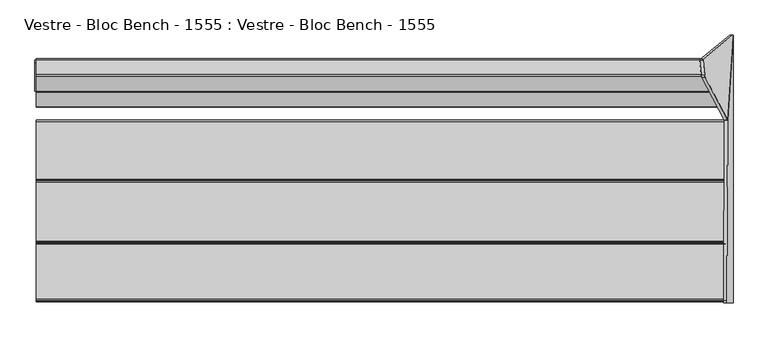
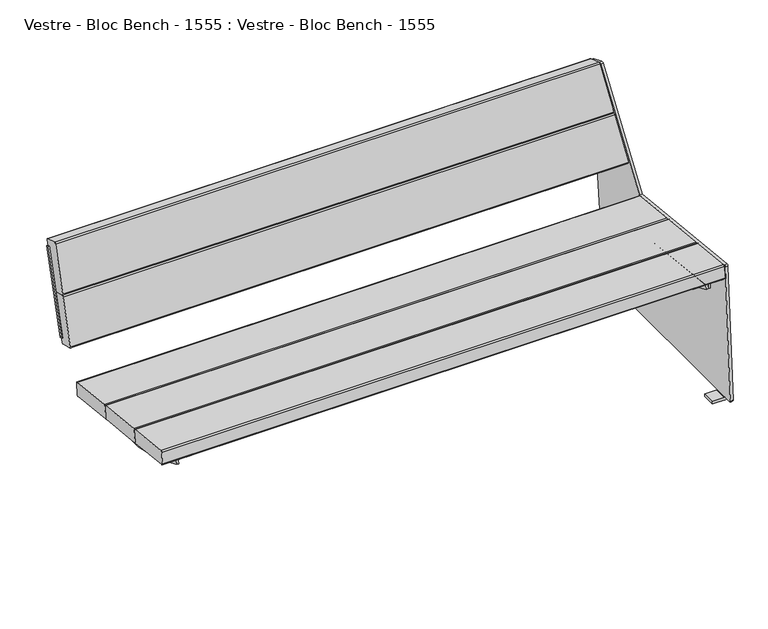
"""IFC4 building model written with IfcOpenShell, lengths in millimetres: furniture geometry, Vestre - Bloc Bench - 1555 : Vestre - Bloc Bench - 1555."""

import ifcopenshell
import ifcopenshell.guid

model = None  # the IFC model being written
_history = None  # IfcOwnerHistory: only IFC2X3 demands one
_inside = {}  # id of a spatial element -> (the spatial element, [elements in it])
_under = {}  # id of a project, library or spatial element -> (it, [spatial elements below it])
_declared = {}  # id of a project -> (the project, [libraries it declares])
_typed = {}  # id of a type object -> (the type object, [elements of that type])
_made_of = {}  # id of a material, layer set ... -> (it, [elements and type objects made of it])


def new_model(schema):
    """Start an empty IFC model of exactly this schema.

    Asked for "IFC4X3", IfcOpenShell would pick the latest addendum, in which some entities
    have other attributes; the version numbers below select the first issue.
    IFC2X3 requires an IfcOwnerHistory on every rooted entity: one is made here for all.
    """
    global model, _history
    if schema == "IFC4X3":
        model = ifcopenshell.file(schema_version=(4, 3, 0, 0))
    else:
        model = ifcopenshell.file(schema=schema)
    _inside.clear()
    _under.clear()
    _declared.clear()
    _typed.clear()
    _made_of.clear()
    _history = None
    if model.schema == "IFC2X3":
        org = make("IfcOrganization", Name="unknown")
        user = make(
            "IfcPersonAndOrganization",
            ThePerson=make("IfcPerson", FamilyName="unknown"),
            TheOrganization=org,
        )
        app = make(
            "IfcApplication",
            ApplicationDeveloper=org,
            Version="unknown",
            ApplicationFullName="unknown",
            ApplicationIdentifier="unknown",
        )
        _history = make(
            "IfcOwnerHistory",
            OwningUser=user,
            OwningApplication=app,
            ChangeAction="ADDED",
            CreationDate=0,
        )
    return model


def make(cls, **values):
    """One entity of the class cls with the attributes given. An attribute that is None is left unset."""
    return model.create_entity(
        cls, **{name: value for name, value in values.items() if value is not None}
    )


def rooted(cls, **values):
    """An entity with a GlobalId (a new one), such as an element, a storey or a relation."""
    return make(cls, GlobalId=ifcopenshell.guid.new(), OwnerHistory=_history, **values)


def si_unit(unit_type, name, prefix=None):
    """IfcSIUnit, for example si_unit("LENGTHUNIT", "METRE", prefix="MILLI")."""
    return make("IfcSIUnit", UnitType=unit_type, Prefix=prefix, Name=name)


def assignment(units):
    """IfcUnitAssignment: the units of a project."""
    return None if units is None else make("IfcUnitAssignment", Units=units)


def point(xyz):
    """IfcCartesianPoint."""
    return None if xyz is None else make("IfcCartesianPoint", Coordinates=xyz)


def direction(xyz):
    """IfcDirection."""
    return None if xyz is None else make("IfcDirection", DirectionRatios=xyz)


def frame(location, z_axis=None, x_axis=None):
    """IfcAxis2Placement3D, a coordinate frame: its origin and axes. An axis left out is left unset."""
    return make(
        "IfcAxis2Placement3D",
        Location=point(location),
        Axis=direction(z_axis),
        RefDirection=direction(x_axis),
    )


def frame_2d(location, x_axis=None):
    """IfcAxis2Placement2D, a coordinate frame in the plane: its origin and x axis."""
    return make(
        "IfcAxis2Placement2D", Location=point(location), RefDirection=direction(x_axis)
    )


def origin():
    """The frame at (0, 0, 0) with its axes left unset."""
    return frame((0.0, 0.0, 0.0))


def place(relative_to, where):
    """IfcLocalPlacement: puts the frame where relative to a parent placement (None: the world)."""
    return make(
        "IfcLocalPlacement", PlacementRelTo=relative_to, RelativePlacement=where
    )


def context(
    kind, dimensions, precision=None, world=None, true_north=None, identifier=None
):
    """IfcGeometricRepresentationContext, for example the 3D "Model" context."""
    return make(
        "IfcGeometricRepresentationContext",
        ContextIdentifier=identifier,
        ContextType=kind,
        CoordinateSpaceDimension=dimensions,
        Precision=precision,
        WorldCoordinateSystem=world,
        TrueNorth=true_north,
    )


def project(units=None, contexts=None):
    """IfcProject with its units and contexts."""
    return rooted(
        "IfcProject",
        Name="project",
        RepresentationContexts=contexts,
        UnitsInContext=assignment(units),
    )


def spatial(cls, under=None, at=None, **own):
    """A site, building, storey or space (cls), placed at a placement, below another one or the project."""
    s = rooted(cls, ObjectPlacement=at, **own)
    if under is not None:
        _under.setdefault(under.id(), (under, []))[1].append(s)
    return s


def polyline(points):
    """IfcPolyline through the points."""
    return make("IfcPolyline", Points=[point(p) for p in points])


def circle_curve(where, radius):
    """IfcCircle in the frame where."""
    return make("IfcCircle", Position=where, Radius=radius)


def ellipse_curve(where, semi_axis1, semi_axis2):
    """IfcEllipse in the frame where."""
    return make(
        "IfcEllipse", Position=where, SemiAxis1=semi_axis1, SemiAxis2=semi_axis2
    )


def trimmed(basis, trim1, trim2, sense, master):
    """IfcTrimmedCurve: the piece of a basis curve between two trims."""
    return make(
        "IfcTrimmedCurve",
        BasisCurve=basis,
        Trim1=trim1,
        Trim2=trim2,
        SenseAgreement=sense,
        MasterRepresentation=master,
    )


def segment(curve, same_sense, transition):
    """IfcCompositeCurveSegment."""
    return make(
        "IfcCompositeCurveSegment",
        Transition=transition,
        SameSense=same_sense,
        ParentCurve=curve,
    )


def composite_curve(segments, self_intersect=None):
    """IfcCompositeCurve: segments joined end to end."""
    return make("IfcCompositeCurve", Segments=segments, SelfIntersect=self_intersect)


def outline(outer, holes=None, kind="AREA"):
    """IfcArbitraryClosedProfileDef: a profile drawn as a closed curve; with holes, ...WithVoids."""
    if holes is None:
        return make("IfcArbitraryClosedProfileDef", ProfileType=kind, OuterCurve=outer)
    return make(
        "IfcArbitraryProfileDefWithVoids",
        ProfileType=kind,
        OuterCurve=outer,
        InnerCurves=holes,
    )


def extrude(swept, where, along, depth):
    """IfcExtrudedAreaSolid: the profile swept, set in the frame where, extruded along a direction by depth."""
    return make(
        "IfcExtrudedAreaSolid",
        SweptArea=swept,
        Position=where,
        ExtrudedDirection=direction(along),
        Depth=depth,
    )


def shape(context_of_items, identifier, shape_type, items):
    """IfcShapeRepresentation: the items that make up one representation, for example the "Body"."""
    return make(
        "IfcShapeRepresentation",
        ContextOfItems=context_of_items,
        RepresentationIdentifier=identifier,
        RepresentationType=shape_type,
        Items=items,
    )


def source(mapping_origin, context_of_items, identifier, shape_type, items):
    """IfcRepresentationMap: a shape defined once, which mapped items show again and again."""
    return make(
        "IfcRepresentationMap",
        MappingOrigin=mapping_origin,
        MappedRepresentation=shape(context_of_items, identifier, shape_type, items),
    )


def transform(
    local_origin,
    x_axis=None,
    y_axis=None,
    z_axis=None,
    scale=None,
    scale2=None,
    scale3=None,
    uniform=True,
):
    """IfcCartesianTransformationOperator3D, or its non-uniform kind. x_axis, y_axis, z_axis: its Axis1, 2, 3."""
    if uniform:
        return make(
            "IfcCartesianTransformationOperator3D",
            Axis1=direction(x_axis),
            Axis2=direction(y_axis),
            LocalOrigin=point(local_origin),
            Scale=scale,
            Axis3=direction(z_axis),
        )
    return make(
        "IfcCartesianTransformationOperator3DnonUniform",
        Axis1=direction(x_axis),
        Axis2=direction(y_axis),
        LocalOrigin=point(local_origin),
        Scale=scale,
        Axis3=direction(z_axis),
        Scale2=scale2,
        Scale3=scale3,
    )


def mapped(mapping_source, mapping_target):
    """IfcMappedItem: shows the shape of a source again, moved by a transform."""
    return make(
        "IfcMappedItem", MappingSource=mapping_source, MappingTarget=mapping_target
    )


def made_of(thing, what):
    """Note that an element or type object is made of a material, layer set ...; save() writes the relation."""
    if what is not None:
        _made_of.setdefault(what.id(), (what, []))[1].append(thing)
    return thing


def element(
    cls,
    number,
    at=None,
    inside=None,
    cuts=None,
    type_object=None,
    material=None,
    context=None,
    identifier="Body",
    shape_type=None,
    held_by="IfcProductDefinitionShape",
    body=None,
    shapes=None,
    **own,
):
    """One element of the class cls, such as IfcWall. Its Tag is "e" and its number.

    at: its placement. inside: the storey or other place that contains it. cuts: it is an
    opening in that element (IfcRelVoidsElement). A single representation is given by context,
    identifier, shape_type and body (its items); several are given by shapes. held_by: the class
    of the entity that holds the representations. save() writes the other relations.
    """
    e = rooted(cls, Tag="e%d" % number, ObjectPlacement=at, **own)
    if body is not None:
        shapes = [shape(context, identifier, shape_type, body)]
    if shapes is not None:
        e.Representation = make(held_by, Representations=shapes)
    if inside is not None:
        _inside.setdefault(inside.id(), (inside, []))[1].append(e)
    if cuts is not None:
        rooted(
            "IfcRelVoidsElement", RelatingBuildingElement=cuts, RelatedOpeningElement=e
        )
    if type_object is not None:
        _typed.setdefault(type_object.id(), (type_object, []))[1].append(e)
    return made_of(e, material)


def aggregate(whole, parts):
    """IfcRelAggregates: a whole, such as a stair, and the parts it consists of."""
    return rooted("IfcRelAggregates", RelatingObject=whole, RelatedObjects=parts)


def save(model, path):
    """Write the relations noted so far, then the file.

    IfcRelAggregates (storeys below a building ...), IfcRelContainedInSpatialStructure (elements
    in a storey), IfcRelDefinesByType, IfcRelAssociatesMaterial and IfcRelDeclares: one each for
    every whole, place, type object, material and project.
    """
    for whole, parts in _under.values():
        aggregate(whole, parts)
    for where, things in _inside.values():
        rooted(
            "IfcRelContainedInSpatialStructure",
            RelatedElements=things,
            RelatingStructure=where,
        )
    for kind, things in _typed.values():
        rooted("IfcRelDefinesByType", RelatedObjects=things, RelatingType=kind)
    for what, things in _made_of.values():
        rooted("IfcRelAssociatesMaterial", RelatedObjects=things, RelatingMaterial=what)
    for by, libraries in _declared.values():
        rooted("IfcRelDeclares", RelatingContext=by, RelatedDefinitions=libraries)
    model.write(path)


def plane_surface(at):
    """IfcPlane: the flat surface through the origin of the frame at, square to its z axis."""
    return make("IfcPlane", Position=at)


def cylinder_surface(at, radius):
    """IfcCylindricalSurface: all points at the distance radius from the z axis of the frame at."""
    return make("IfcCylindricalSurface", Position=at, Radius=radius)


def revolved_surface(curve, axis_point, axis_direction):
    """IfcSurfaceOfRevolution: the curve turned about the line through axis_point along axis_direction."""
    return make(
        "IfcSurfaceOfRevolution",
        SweptCurve=make("IfcArbitraryOpenProfileDef", ProfileType="CURVE", Curve=curve),
        AxisPosition=make("IfcAxis1Placement", Location=point(axis_point), Axis=direction(axis_direction)),
    )


def advanced_brep(points, edges, surfaces, faces):
    """IfcAdvancedBrep: a solid bounded by faces that lie on surfaces and meet in shared edges.

    An edge is (start, end): straight between two places in points (the first is 0);
    or (start, end, curve); or (start, end, curve, False) where it runs against its curve.
    A face is (place in surfaces, loops), or (place, loops, False) where it looks against
    its surface's normal. A loop lists edges by number (the first is 1), with a minus sign
    where the edge is run from its end to its start. The first loop is the outer one.
    """
    corners = [point(p) for p in points]
    vertices = [make("IfcVertexPoint", VertexGeometry=c) for c in corners]
    made = []
    for start, end, *more in edges:
        made.append(
            make(
                "IfcEdgeCurve",
                EdgeStart=vertices[start],
                EdgeEnd=vertices[end],
                EdgeGeometry=more[0] if more else make("IfcPolyline", Points=[corners[start], corners[end]]),
                SameSense=more[1] if len(more) > 1 else True,
            )
        )
    hull = []
    for where, loops, *sense in faces:
        bounds = []
        for j, loop in enumerate(loops):
            ring = [make("IfcOrientedEdge", EdgeElement=made[abs(k) - 1], Orientation=k > 0) for k in loop]
            bounds.append(
                make(
                    "IfcFaceOuterBound" if j == 0 else "IfcFaceBound",
                    Bound=make("IfcEdgeLoop", EdgeList=ring),
                    Orientation=True,
                )
            )
        hull.append(make("IfcAdvancedFace", Bounds=bounds, FaceSurface=surfaces[where], SameSense=sense[0] if sense else True))
    return make("IfcAdvancedBrep", Outer=make("IfcClosedShell", CfsFaces=hull))


def vestre_bloc_bench_1555_vestre_bloc_bench_1555_a9683b53(model_context):
    return source(origin(), model_context, "Body", "SolidModel", [
        extrude(outline(composite_curve([segment(polyline([(0.0117144, 0.0), (264.0004656, 0.0), (264.0004656, -56.5822832)]), True, "CONTINUOUS"), segment(trimmed(circle_curve(frame_2d((256.0004656, -56.5822832)), 8.0), [point((264.0004656, -56.5822832))], [point((256.0004655, -64.5822832))], False, "CARTESIAN"), True, "CONTINUOUS"), segment(polyline([(256.0004655, -64.5822832), (6.750797, -64.5822832)]), True, "CONTINUOUS"), segment(trimmed(circle_curve(frame_2d((7.9053145, -56.6660284)), 8.0), [point((6.750797, -64.5822832))], [point((-0.0946714, -56.6510051))], False, "CARTESIAN"), True, "CONTINUOUS"), segment(polyline([(-0.0946714, -56.6510051), (0.0117144, 0.0)]), True, "CONTINUOUS")], self_intersect=False)), frame((-865.7722502, 204.7737801, 503.5722702), z_axis=(-0.0013631459484884229, -0.9642258427672697, 0.2650786033856215), x_axis=(0.0, 0.265078849666105, 0.9642267386147797)), (0.0, 0.0, 1.0), 8.5816086),
        extrude(outline(polyline([(0.0, -19.9999999), (0.0, 0.0), (1612.8148813, 0.0), (1612.8148813, -19.9999999), (0.0, -19.9999999)])), frame((806.271869, -17.9230139, 331.2273795), z_axis=(0.0, 0.10862274800818965, 0.9940830441241564), x_axis=(-1.0, 0.0, 0.0)), (0.0, 0.0, 1.0), 40.0),
        extrude(outline(polyline([(0.0, -20.0), (0.0, 0.0), (1612.8148813, 0.0), (1612.8148813, -20.0), (0.0, -20.0)])), frame((806.271869, -232.1337214, 354.6340312), z_axis=(0.0, 0.10862274800818968, 0.9940830441241564), x_axis=(-1.0, 0.0, 0.0)), (0.0, 0.0, 1.0), 40.0),
        advanced_brep(
        [(766.5577736, -318.9102447, 412.772865), (766.5577736, -319.7193007, 405.3521172), (805.5963377, -319.7193007, 405.3521172), (806.5474184, -319.8223825, 404.4066392), (806.5474184, -321.0984876, 392.7020678), (812.5430123, -321.0984876, 392.7020678), (812.5430123, -319.8564605, 404.0940726), (812.5430123, -319.3437805, 408.7964286), (808.5430123, -318.9102447, 412.772865), (766.5577736, 98.750138, 367.236938), (808.5430123, 98.750138, 367.236938), (812.5430123, 98.3166022, 363.2605016), (812.5430123, 97.8039221, 358.5581456), (812.5430123, 96.5595156, 347.1443157), (806.5474184, 96.5595156, 347.1443157), (806.5474184, 97.8380001, 358.8707122), (805.5963377, 97.941082, 359.8161902), (766.5577736, 97.941082, 359.8161902)],
        [
            (0, 1),
            (1, 2),
            (2, 3, circle_curve(frame((805.5963377, -319.8223825, 404.4066392), z_axis=(0.0, 0.9941091089617909, -0.10838394474826071), x_axis=(0.0, -0.10838394474826071, -0.9941091089617909)), 0.9510807)),
            (3, 4),
            (4, 5),
            (5, 6),
            (6, 7),
            (7, 8, circle_curve(frame((808.5430123, -319.3437805, 408.7964286), z_axis=(0.0, -0.9941091089617909, 0.10838394474826071), x_axis=(0.0, -0.10838394474826071, -0.9941091089617909)), 4.0)),
            (8, 0),
            (9, 10),
            (10, 11, circle_curve(frame((808.5430123, 98.3166022, 363.2605016), z_axis=(0.0, 0.9941091089617909, -0.10838394474826071), x_axis=(0.0, -0.10838394474826071, -0.9941091089617909)), 4.0)),
            (11, 12),
            (12, 13),
            (13, 14),
            (14, 15),
            (15, 16, circle_curve(frame((805.5963377, 97.8380001, 358.8707122), z_axis=(0.0, -0.9941091089617909, 0.10838394474826071), x_axis=(0.0, -0.10838394474826071, -0.9941091089617909)), 0.9510807)),
            (16, 17),
            (17, 9),
            (0, 9),
            (17, 1),
            (16, 2),
            (15, 3),
            (14, 4, circle_curve(frame((806.5474184, -59.7670647, 851.2475639), z_axis=(-1.0, 0.0, 0.0), x_axis=(0.0, -1.0, 0.0)), 527.7860216)),
            (5, 13, circle_curve(frame((812.5430123, -59.7670647, 851.2475639), z_axis=(1.0, 0.0, 0.0), x_axis=(0.0, -1.0, 0.0)), 527.7860216)),
            (12, 6),
            (11, 7),
            (10, 8),
        ],
        [
            plane_surface(frame((766.5577736, -319.8423819, 404.223203), z_axis=(0.0, -0.9941091089617909, 0.10838394474826071), x_axis=(0.0, -0.10838394474826071, -0.9941091089617909))),
            plane_surface(frame((766.5577736, 97.8180007, 358.6872759), z_axis=(0.0, 0.9941091089617909, -0.10838394474826071), x_axis=(0.0, 0.10838394474826071, 0.9941091089617909))),
            plane_surface(frame((766.5577736, -318.9102447, 412.772865), z_axis=(-1.0000000000000002, 0.0, 0.0), x_axis=(0.0, 0.994109108961791, -0.10838394474826066))),
            plane_surface(frame((766.5577736, -319.7193007, 405.3521172), z_axis=(0.0, -0.10838394474826069, -0.994109108961791), x_axis=(0.0, 0.994109108961791, -0.10838394474826069))),
            revolved_surface(polyline([(805.5963377, 97.73491824228601, 357.9252342105562), (805.5963377, -319.92546445485533, 403.46116123677587)]), (805.5963377, 97.8380001, 358.8707122), (0.0, 0.9941091089617909, -0.10838394474826071)),
            plane_surface(frame((806.5474184, -319.8223825, 404.4066392), z_axis=(-1.0000000000000002, 0.0, 0.0), x_axis=(0.0, 0.994109108961791, -0.10838394474826064))),
            plane_surface(frame((812.5430123, -320.2027771, 400.9176199), z_axis=(1.0000000000000002, 0.0, 0.0), x_axis=(0.0, 0.994109108961791, -0.10838394474826066))),
            plane_surface(frame((812.5430123, -319.8564605, 404.0940726), z_axis=(1.0000000000000002, 0.0, 0.0), x_axis=(0.0, 0.994109108961791, -0.10838394474826066))),
            cylinder_surface(frame((808.5430123, 98.3166022, 363.2605016), z_axis=(0.0, -0.9941091089617909, 0.10838394474826071), x_axis=(0.0, -0.10838394474826071, -0.9941091089617909)), 4.0),
            plane_surface(frame((808.5430123, -318.9102447, 412.772865), z_axis=(0.0, 0.10838394474826066, 0.994109108961791), x_axis=(0.0, 0.994109108961791, -0.10838394474826066))),
            cylinder_surface(frame((806.5474184, -59.7670647, 851.2475639), z_axis=(1.0, 0.0, 0.0), x_axis=(0.0, -1.0, 0.0)), 527.7860216),
        ],
        [
            (0, [[1, 2, 3, 4, 5, 6, 7, 8, 9]]),
            (1, [[10, 11, 12, 13, 14, 15, 16, 17, 18]]),
            (2, [[-1, 19, -18, 20]]),
            (3, [[-2, -20, -17, 21]]),
            (4, [[-3, -21, -16, 22]]),
            (5, [[-4, -22, -15, 23]]),
            (6, [[-6, 24, -13, 25]]),
            (7, [[-7, -25, -12, 26]]),
            (8, [[-8, -26, -11, 27]]),
            (9, [[-9, -27, -10, -19]]),
            (10, [[-24, -5, -23, -14]]),
        ],
    ),
        advanced_brep(
        [(813.6175866, 96.5595156, 347.1443157), (813.6175866, -321.0984876, 392.7020678), (813.6175866, -319.360624, 408.6419375), (813.6175866, 98.2997586, 363.1060105), (819.6131806, -321.0984876, 392.7020678), (819.6131806, 96.5595156, 347.1443157), (819.6131806, 97.8380001, 358.8707122), (819.6131806, -319.8223825, 404.4066392), (820.5642613, -319.7193007, 405.3521172), (859.6028254, -319.7193007, 405.3521172), (859.6028254, -318.9270883, 412.6183739), (817.6175866, -318.9270883, 412.6183739), (817.6175866, 98.7332944, 367.0824469), (859.6028254, 98.7332944, 367.0824469), (859.6028254, 97.941082, 359.8161902), (820.5642613, 97.941082, 359.8161902)],
        [
            (0, 1, circle_curve(frame((813.6175866, -59.7670647, 851.2475639), z_axis=(-1.0, 0.0, 0.0), x_axis=(0.0, -1.0, 0.0)), 527.7860216)),
            (1, 2),
            (2, 3),
            (3, 0),
            (4, 5, circle_curve(frame((819.6131806, -59.7670647, 851.2475639), z_axis=(1.0, 0.0, 0.0), x_axis=(0.0, -1.0, 0.0)), 527.7860216)),
            (5, 6),
            (6, 7),
            (7, 4),
            (1, 4),
            (7, 8, circle_curve(frame((820.5642613, -319.8223825, 404.4066392), z_axis=(0.0, 0.9941091089617909, -0.10838394474826071), x_axis=(0.0, -0.10838394474826071, -0.9941091089617909)), 0.9510807)),
            (8, 9),
            (9, 10),
            (10, 11),
            (11, 2, circle_curve(frame((817.6175866, -319.360624, 408.6419375), z_axis=(0.0, -0.9941091089617909, 0.10838394474826071), x_axis=(0.0, -0.10838394474826071, -0.9941091089617909)), 4.0)),
            (0, 5),
            (3, 12, circle_curve(frame((817.6175866, 98.2997586, 363.1060105), z_axis=(0.0, 0.9941091089617909, -0.10838394474826071), x_axis=(0.0, -0.10838394474826071, -0.9941091089617909)), 4.0)),
            (12, 13),
            (13, 14),
            (14, 15),
            (15, 6, circle_curve(frame((820.5642613, 97.8380001, 358.8707122), z_axis=(0.0, -0.9941091089617909, 0.10838394474826071), x_axis=(0.0, -0.10838394474826071, -0.9941091089617909)), 0.9510807)),
            (9, 14),
            (13, 10),
            (8, 15),
            (11, 12),
        ],
        [
            plane_surface(frame((813.6175866, 97.8039221, 358.5581456), z_axis=(-1.0, 0.0, 0.0), x_axis=(0.0, 0.9941091089617913, -0.10838394474825762))),
            plane_surface(frame((819.6131806, 97.8039221, 358.5581456), z_axis=(1.0, 0.0, 0.0), x_axis=(0.0, -0.9941091089617913, 0.10838394474825762))),
            plane_surface(frame((813.6175866, -321.0984876, 392.7020678), z_axis=(0.0, -0.9941091089617909, 0.10838394474826071), x_axis=(1.0, 0.0, 0.0))),
            cylinder_surface(frame((819.6131806, -59.7670647, 851.2475639), z_axis=(-1.0, 0.0, 0.0), x_axis=(0.0, -1.0, 0.0)), 527.7860216),
            plane_surface(frame((813.6175866, 97.8039221, 358.5581456), z_axis=(0.0, 0.9941091089617916, -0.10838394474825458), x_axis=(1.0, 0.0, 0.0))),
            plane_surface(frame((859.6028254, -319.7193007, 405.3521172), z_axis=(1.0000000000000002, 0.0, 0.0), x_axis=(0.0, 0.994109108961791, -0.10838394474826066))),
            plane_surface(frame((820.5642613, -319.7193007, 405.3521172), z_axis=(0.0, -0.10838394474826066, -0.994109108961791), x_axis=(0.0, 0.994109108961791, -0.10838394474826066))),
            revolved_surface(polyline([(820.5642613, 97.73491824228601, 357.9252342105562), (820.5642613, -319.92546445485533, 403.46116123677587)]), (820.5642613, 97.8380001, 358.8707122), (0.0, 0.9941091089617909, -0.10838394474826071)),
            cylinder_surface(frame((817.6175866, 98.2997586, 363.1060105), z_axis=(0.0, -0.9941091089617909, 0.10838394474826071), x_axis=(0.0, -0.10838394474826071, -0.9941091089617909)), 4.0),
            plane_surface(frame((859.6028254, -318.9270883, 412.6183739), z_axis=(0.0, 0.10838394474826066, 0.994109108961791), x_axis=(0.0, 0.994109108961791, -0.10838394474826066))),
        ],
        [
            (0, [[1, 2, 3, 4]]),
            (1, [[5, 6, 7, 8]]),
            (2, [[-2, 9, -8, 10, 11, 12, 13, 14]]),
            (3, [[-1, 15, -5, -9]]),
            (4, [[-6, -15, -4, 16, 17, 18, 19, 20]]),
            (5, [[-12, 21, -18, 22]]),
            (6, [[-11, 23, -19, -21]]),
            (7, [[-10, -7, -20, -23]]),
            (8, [[-14, 24, -16, -3]]),
            (9, [[-13, -22, -17, -24]]),
        ],
    ),
        advanced_brep(
        [(-766.5577736, -318.8898286, 412.9601231), (-808.5430123, -318.8898286, 412.9601231), (-812.5430123, -319.3233644, 408.9836866), (-812.5430123, -319.8564605, 404.0940726), (-812.5430123, -321.0984876, 392.7020678), (-806.5474184, -321.0984876, 392.7020678), (-806.5474184, -319.8223825, 404.4066392), (-805.5963377, -319.7193007, 405.3521172), (-766.5577736, -319.7193007, 405.3521172), (-766.5577736, 98.770554, 367.4241961), (-766.5577736, 97.941082, 359.8161902), (-805.5963377, 97.941082, 359.8161902), (-806.5474184, 97.8380001, 358.8707122), (-806.5474184, 96.5595156, 347.1443157), (-812.5430123, 96.5595156, 347.1443157), (-812.5430123, 97.8039221, 358.5581456), (-812.5430123, 98.3370182, 363.4477596), (-808.5430123, 98.770554, 367.4241961)],
        [
            (0, 1),
            (1, 2, circle_curve(frame((-808.5430123, -319.3233644, 408.9836866), z_axis=(0.0, -0.9941091089617909, 0.10838394474826071), x_axis=(0.0, -0.10838394474826071, -0.9941091089617909)), 4.0)),
            (2, 3),
            (3, 4),
            (4, 5),
            (5, 6),
            (6, 7, circle_curve(frame((-805.5963377, -319.8223825, 404.4066392), z_axis=(0.0, 0.9941091089617909, -0.10838394474826071), x_axis=(0.0, -0.10838394474826071, -0.9941091089617909)), 0.9510807)),
            (7, 8),
            (8, 0),
            (9, 10),
            (10, 11),
            (11, 12, circle_curve(frame((-805.5963377, 97.8380001, 358.8707122), z_axis=(0.0, -0.9941091089617909, 0.10838394474826071), x_axis=(0.0, -0.10838394474826071, -0.9941091089617909)), 0.9510807)),
            (12, 13),
            (13, 14),
            (14, 15),
            (15, 16),
            (16, 17, circle_curve(frame((-808.5430123, 98.3370182, 363.4477596), z_axis=(0.0, 0.9941091089617909, -0.10838394474826071), x_axis=(0.0, -0.10838394474826071, -0.9941091089617909)), 4.0)),
            (17, 9),
            (8, 10),
            (9, 0),
            (7, 11),
            (6, 12),
            (5, 13, circle_curve(frame((-806.5474184, -59.7670647, 851.2475639), z_axis=(1.0, 0.0, 0.0), x_axis=(0.0, -1.0, 0.0)), 527.7860216)),
            (3, 15),
            (14, 4, circle_curve(frame((-812.5430123, -59.7670647, 851.2475639), z_axis=(-1.0, 0.0, 0.0), x_axis=(0.0, -1.0, 0.0)), 527.7860216)),
            (2, 16),
            (1, 17),
        ],
        [
            plane_surface(frame((-812.5430123, -318.8898286, 412.9601231), z_axis=(0.0, -0.9941091089617909, 0.10838394474826071), x_axis=(-1.0, 0.0, 0.0))),
            plane_surface(frame((-812.5430123, 98.770554, 367.4241961), z_axis=(0.0, 0.9941091089617909, -0.10838394474826071), x_axis=(1.0, 0.0, 0.0))),
            plane_surface(frame((-766.5577736, -319.7193007, 405.3521172), z_axis=(1.0000000000000002, 0.0, 0.0), x_axis=(0.0, 0.994109108961791, -0.10838394474826069))),
            plane_surface(frame((-805.5963377, -319.7193007, 405.3521172), z_axis=(0.0, -0.10838394474826069, -0.994109108961791), x_axis=(0.0, 0.994109108961791, -0.10838394474826069))),
            revolved_surface(polyline([(-805.5963377, 97.73491824228601, 357.9252342105562), (-805.5963377, -319.92546445485533, 403.46116123677587)]), (-805.5963377, 97.8380001, 358.8707122), (0.0, 0.9941091089617909, -0.10838394474826071)),
            plane_surface(frame((-806.5474184, -320.2027771, 400.9176199), z_axis=(1.0000000000000002, 0.0, 0.0), x_axis=(0.0, 0.994109108961791, -0.10838394474826066))),
            plane_surface(frame((-812.5430123, -319.8564605, 404.0940726), z_axis=(-1.0000000000000002, 0.0, 0.0), x_axis=(0.0, 0.994109108961791, -0.10838394474826066))),
            plane_surface(frame((-812.5430123, -319.3233644, 408.9836866), z_axis=(-1.0000000000000002, 0.0, 0.0), x_axis=(0.0, 0.994109108961791, -0.10838394474826066))),
            cylinder_surface(frame((-808.5430123, 98.3370182, 363.4477596), z_axis=(0.0, -0.9941091089617909, 0.10838394474826071), x_axis=(0.0, -0.10838394474826071, -0.9941091089617909)), 4.0),
            plane_surface(frame((-766.5577736, -318.8898286, 412.9601231), z_axis=(0.0, 0.10838394474826066, 0.994109108961791), x_axis=(0.0, 0.994109108961791, -0.10838394474826066))),
            cylinder_surface(frame((-806.5474184, -59.7670647, 851.2475639), z_axis=(-1.0, 0.0, 0.0), x_axis=(0.0, -1.0, 0.0)), 527.7860216),
        ],
        [
            (0, [[1, 2, 3, 4, 5, 6, 7, 8, 9]]),
            (1, [[10, 11, 12, 13, 14, 15, 16, 17, 18]]),
            (2, [[-9, 19, -10, 20]]),
            (3, [[-8, 21, -11, -19]]),
            (4, [[-7, 22, -12, -21]]),
            (5, [[-13, -22, -6, 23]]),
            (6, [[-4, 24, -15, 25]]),
            (7, [[-3, 26, -16, -24]]),
            (8, [[-2, 27, -17, -26]]),
            (9, [[-1, -20, -18, -27]]),
            (10, [[-25, -14, -23, -5]]),
        ],
    ),
        advanced_brep(
        [(811.6158149, 233.1863633, 787.1699382), (868.2169692, 124.8996282, 408.9101314), (882.104729, 336.1005897, 11.2206695), (881.4400564, 337.9713039, 14.8944279), (806.7828016, 277.1577, 774.9426086), (806.7918101, 274.3357333, 778.4787482), (810.6337482, 238.1221055, 789.8133119), (803.7395972, 232.080936, 786.3078325), (802.7575305, 237.0166783, 788.9512062), (798.9155925, 273.230306, 777.6166426), (798.906584, 276.0522727, 774.080503), (873.5638388, 336.8658767, 14.0323223), (874.2285114, 334.9951625, 10.3585639), (860.3407516, 123.794201, 408.0480257), (838.5244284, 204.7361248, 503.5754184), (800.8552394, 274.6488012, 758.0771287), (801.7672166, 266.3758239, 760.3532344), (839.4364056, 196.4631475, 505.8515241), (791.810201, 204.6514703, 503.507711), (783.8789303, 206.4556344, 510.1111606), (747.7201407, 272.1297789, 749.187405), (755.6213648, 274.5668293, 758.0115669), (755.6330628, 266.2922205, 760.2863677), (747.7318387, 263.8551701, 751.4622058), (783.8906283, 198.1810256, 512.3859614), (791.821899, 196.3768615, 505.7825119)],
        [
            (0, 1),
            (1, 2),
            (2, 3, circle_curve(frame((882.0221991, 334.025159, 14.6358678), z_axis=(0.9845272064646956, 0.1381784067166262, 0.10776320173453151), x_axis=(0.10809843818608315, 0.005098251508800459, -0.9941271224009949)), 3.9972244)),
            (3, 4),
            (4, 5, circle_curve(frame((807.3653485, 273.2088149, 774.683869), z_axis=(0.9845272064646956, 0.1381784067166262, 0.10776320173453151), x_axis=(0.10809843818608315, 0.005098251508800459, -0.9941271224009949)), 4.0)),
            (5, 6),
            (6, 0, circle_curve(frame((811.2072865, 236.9951872, 786.0184326), z_axis=(0.9845272064646956, 0.1381784067166262, 0.10776320173453151), x_axis=(0.10809843818608315, 0.005098251508800459, -0.9941271224009949)), 4.0)),
            (7, 8, circle_curve(frame((803.3310689, 235.8897599, 785.156327), z_axis=(-0.9845272064646956, -0.1381784067166262, -0.10776320173453151), x_axis=(0.10809843818608315, 0.005098251508800459, -0.9941271224009949)), 4.0)),
            (8, 9),
            (9, 10, circle_curve(frame((799.4891308, 272.1033877, 773.8217633), z_axis=(-0.9845272064646956, -0.1381784067166262, -0.10776320173453151), x_axis=(0.10809843818608315, 0.005098251508800459, -0.9941271224009949)), 4.0)),
            (10, 11),
            (11, 12, circle_curve(frame((874.1459814, 332.9197317, 13.7737622), z_axis=(-0.9845272064646956, -0.1381784067166262, -0.10776320173453151), x_axis=(0.10809843818608315, 0.005098251508800459, -0.9941271224009949)), 3.9972244)),
            (12, 13),
            (13, 7),
            (14, 15),
            (15, 16),
            (16, 17),
            (17, 14),
            (6, 8),
            (7, 0),
            (5, 9),
            (4, 10),
            (3, 11),
            (2, 12),
            (1, 13),
            (18, 19, circle_curve(frame((791.7951777, 206.7720776, 511.2215168), z_axis=(-0.0013631459484884367, 0.9642258427672697, -0.26507860338562145), x_axis=(-0.14431455675225052, 0.2621142782788856, 0.9541852093968657)), 8.0)),
            (19, 20),
            (20, 21, circle_curve(frame((755.6363881, 272.446222, 750.2977612), z_axis=(-0.0013631459484884367, 0.9642258427672697, -0.26507860338562145), x_axis=(-0.14431455675225052, 0.2621142782788856, 0.9541852093968657)), 8.0)),
            (21, 15),
            (14, 18),
            (22, 23, circle_curve(frame((755.6480861, 264.1716132, 752.572562), z_axis=(0.0013631459484884367, -0.9642258427672697, 0.26507860338562145), x_axis=(-0.14431455675225052, 0.2621142782788856, 0.9541852093968657)), 8.0)),
            (23, 24),
            (24, 25, circle_curve(frame((791.8068757, 198.4974688, 513.4963176), z_axis=(0.0013631459484884367, -0.9642258427672697, 0.26507860338562145), x_axis=(-0.14431455675225052, 0.2621142782788856, 0.9541852093968657)), 8.0)),
            (25, 17),
            (16, 22),
            (20, 23),
            (22, 21),
            (19, 24),
            (18, 25),
        ],
        [
            plane_surface(frame((867.9425476, 125.4246391, 410.7440634), z_axis=(0.9845272064646957, 0.13817840671662623, 0.10776320173453155), x_axis=(0.14239106626947698, -0.2724160636486588, -0.9515851367653928))),
            plane_surface(frame((860.06633, 124.3192118, 409.8819577), z_axis=(-0.9845272064646957, -0.13817840671662623, -0.10776320173453155), x_axis=(-0.14239106626947698, 0.2724160636486588, 0.9515851367653928))),
            cylinder_surface(frame((803.3310689, 235.8897599, 785.156327), z_axis=(0.9845272064646956, 0.1381784067166262, 0.10776320173453151), x_axis=(0.10809843818608315, 0.005098251508800459, -0.9941271224009949)), 4.0),
            plane_surface(frame((806.7918101, 274.3357333, 778.4787482), z_axis=(-0.14338459124458663, 0.28172958840366497, 0.9487198206064447), x_axis=(-0.9845272064646949, -0.13817840671662657, -0.10776320173453655))),
            cylinder_surface(frame((799.4891308, 272.1033877, 773.8217633), z_axis=(0.9845272064646956, 0.1381784067166262, 0.10776320173453151), x_axis=(0.10809843818608315, 0.005098251508800459, -0.9941271224009949)), 4.0),
            plane_surface(frame((881.4400564, 337.9713039, 14.8944279), z_axis=(-0.14563671969423442, 0.9872212562883779, 0.06468490557386725), x_axis=(-0.9845272064646956, -0.13817840671662243, -0.10776320173453661))),
            cylinder_surface(frame((874.1459814, 332.9197317, 13.7737622), z_axis=(0.9845272064646956, 0.1381784067166262, 0.10776320173453151), x_axis=(0.10809843818608315, 0.005098251508800459, -0.9941271224009949)), 3.9972244),
            plane_surface(frame((868.2169692, 124.8996282, 408.9101314), z_axis=(0.17249891043919782, -0.8724250405319156, -0.4572949535586142), x_axis=(-0.9845272064646959, -0.1381784067166267, -0.10776320173452819))),
            plane_surface(frame((811.6158149, 233.1863633, 787.1699382), z_axis=(0.10213209083077515, -0.9522059736125492, 0.28787639680792154), x_axis=(-0.9845272064646963, -0.13817840671663098, -0.10776320173451977))),
            plane_surface(frame((804.61599, 274.6556164, 758.0825795), z_axis=(-0.00136314594848843, 0.9642258427672699, -0.26507860338562156), x_axis=(0.9999973076401405, 0.0018121741131798574, 0.001449392098063703))),
            plane_surface(frame((804.627688, 266.3810076, 760.3573804), z_axis=(0.00136314594848843, -0.9642258427672699, 0.26507860338562156), x_axis=(-0.9999973076401405, -0.0018121741131798574, -0.001449392098063703))),
            cylinder_surface(frame((755.6480861, 264.1716132, 752.572562), z_axis=(-0.0013631459484884367, 0.9642258427672697, -0.26507860338562145), x_axis=(-0.14431455675225052, 0.2621142782788856, 0.9541852093968657)), 8.0),
            plane_surface(frame((783.8789303, 206.4556344, 510.1111606), z_axis=(-0.9895309245003535, -0.03955539485440417, -0.13879452509154666), x_axis=(0.001363145948494428, -0.9642258427672704, 0.2650786033856188))),
            cylinder_surface(frame((791.8068757, 198.4974688, 513.4963176), z_axis=(-0.0013631459484884367, 0.9642258427672697, -0.26507860338562145), x_axis=(-0.14431455675225052, 0.2621142782788856, 0.9541852093968657)), 8.0),
            plane_surface(frame((842.2232186, 204.7428277, 503.5807795), z_axis=(0.0018779099002744347, -0.2650759139656611, -0.964225716982116), x_axis=(0.001363145948494428, -0.9642258427672704, 0.2650786033856188))),
            plane_surface(frame((755.6213648, 274.5668293, 758.0115669), z_axis=(-0.0018779099002689853, 0.26507591396566116, 0.9642257169821161), x_axis=(0.001363145948494428, -0.9642258427672704, 0.2650786033856188))),
        ],
        [
            (0, [[1, 2, 3, 4, 5, 6, 7]]),
            (1, [[8, 9, 10, 11, 12, 13, 14], [15, 16, 17, 18]]),
            (2, [[-7, 19, -8, 20]]),
            (3, [[-6, 21, -9, -19]]),
            (4, [[-5, 22, -10, -21]]),
            (5, [[-4, 23, -11, -22]]),
            (6, [[-3, 24, -12, -23]]),
            (7, [[-2, 25, -13, -24]]),
            (8, [[-1, -20, -14, -25]]),
            (9, [[26, 27, 28, 29, -15, 30]]),
            (10, [[31, 32, 33, 34, -17, 35]]),
            (11, [[-28, 36, -31, 37]]),
            (12, [[-27, 38, -32, -36]]),
            (13, [[-26, 39, -33, -38]]),
            (14, [[-39, -30, -18, -34]]),
            (15, [[-37, -35, -16, -29]]),
        ],
    ),
        advanced_brep(
        [(821.0571971, 196.7361984, 647.161358), (821.0571971, 199.5337159, 642.2446859), (821.0571971, 226.9101316, 634.7240411), (821.0571971, 202.069438, 666.5757995), (-862.0984844, 235.2118319, 632.4434599), (-862.0984844, 199.5337159, 642.2446859), (-862.0984844, 196.7361984, 647.161358), (-862.0984844, 235.0646195, 786.687229), (-862.0984844, 239.9813274, 789.4847667), (-862.0984844, 275.659435, 779.6835409), (-862.0984844, 278.4569523, 774.7668691), (-862.0984844, 240.1285396, 635.2409978), (819.1454089, 240.1285396, 635.2409978), (820.1416785, 235.2118319, 632.4434599), (798.4939597, 278.4569523, 774.7668691), (798.3484281, 275.659435, 779.6835409), (802.2830401, 239.9813274, 789.4847667), (803.2793097, 235.0646195, 786.687229)],
        [
            (0, 1, circle_curve(frame((821.0571971, 200.593311, 646.1017908), z_axis=(1.0, 0.0, 0.0), x_axis=(0.0, -1.0, 0.0)), 4.0)),
            (1, 2),
            (2, 3),
            (3, 0),
            (4, 5),
            (5, 6, circle_curve(frame((-862.0984844, 200.593311, 646.1017908), z_axis=(-1.0, 0.0, 0.0), x_axis=(0.0, -1.0, 0.0)), 4.0)),
            (6, 7),
            (7, 8, circle_curve(frame((-862.0984844, 238.921732, 785.6276619), z_axis=(-1.0, 0.0, 0.0), x_axis=(0.0, -1.0, 0.0)), 4.0)),
            (8, 9),
            (9, 10, circle_curve(frame((-862.0984844, 274.5998397, 775.8264361), z_axis=(-1.0, 0.0, 0.0), x_axis=(0.0, -1.0, 0.0)), 4.0)),
            (10, 11),
            (11, 4, circle_curve(frame((-862.0984844, 236.271427, 636.3005648), z_axis=(-1.0, 0.0, 0.0), x_axis=(0.0, -1.0, 0.0)), 4.0)),
            (11, 12),
            (12, 13, ellipse_curve(frame((819.5707779, 236.271427, 636.3005648), z_axis=(-0.9845272064646966, -0.1381784067166235, -0.10776320173452701), x_axis=(0.17523178858534882, -0.776345444263947, -0.605459801671254)), 4.0628639, 4.0)),
            (13, 4),
            (10, 14),
            (14, 12),
            (9, 15),
            (15, 14, ellipse_curve(frame((798.9193287, 274.5998397, 775.8264361), z_axis=(-0.9845272064646966, -0.1381784067166235, -0.10776320173452701), x_axis=(0.17523178858534882, -0.776345444263947, -0.605459801671254)), 4.0628639, 4.0)),
            (8, 16),
            (16, 15),
            (7, 17),
            (17, 16, ellipse_curve(frame((802.8539407, 238.921732, 785.6276619), z_axis=(-0.9845272064646966, -0.1381784067166235, -0.10776320173452701), x_axis=(0.17523178858534882, -0.776345444263947, -0.605459801671254)), 4.0628639, 4.0)),
            (6, 0),
            (3, 17),
            (5, 1),
            (13, 2),
        ],
        [
            plane_surface(frame((821.0571971, 232.271427, 636.3005648), z_axis=(1.0, 0.0, 0.0), x_axis=(0.0, 0.0, -1.0))),
            plane_surface(frame((-862.0984844, 232.271427, 636.3005648), z_axis=(-1.0, 0.0, 0.0), x_axis=(0.0, 0.0, 1.0))),
            cylinder_surface(frame((-862.0984844, 236.271427, 636.3005648), z_axis=(1.0, 0.0, 0.0), x_axis=(0.0, -1.0, 0.0)), 4.0),
            plane_surface(frame((821.0571971, 240.1285396, 635.2409978), z_axis=(0.0, 0.9642781573688652, -0.2648917424558683), x_axis=(-1.0, 0.0, 0.0))),
            cylinder_surface(frame((-862.0984844, 274.5998397, 775.8264361), z_axis=(1.0, 0.0, 0.0), x_axis=(0.0, -1.0, 0.0)), 4.0),
            plane_surface(frame((821.0571971, 275.659435, 779.6835409), z_axis=(0.0, 0.26489882655000385, 0.9642762113069216), x_axis=(-1.0, 0.0, 0.0))),
            cylinder_surface(frame((-862.0984844, 238.921732, 785.6276619), z_axis=(1.0, 0.0, 0.0), x_axis=(0.0, -1.0, 0.0)), 4.0),
            plane_surface(frame((821.0571971, 235.0646195, 786.687229), z_axis=(0.0, -0.9642781425237718, 0.2648917964960496), x_axis=(-1.0, 0.0, 0.0))),
            cylinder_surface(frame((-862.0984844, 200.593311, 646.1017908), z_axis=(1.0, 0.0, 0.0), x_axis=(0.0, -1.0, 0.0)), 4.0),
            plane_surface(frame((821.0571971, 199.5337159, 642.2446859), z_axis=(0.0, -0.26489877507604315, -0.9642762254474658), x_axis=(-1.0, 0.0, 0.0))),
            plane_surface(frame((841.2406356, 210.0994077, 471.8830622), z_axis=(0.9845272064646964, 0.13817840671662346, 0.10776320173452698), x_axis=(0.10213209083076616, -0.9522059736125505, 0.28787639680791965))),
        ],
        [
            (0, [[1, 2, 3, 4]]),
            (1, [[5, 6, 7, 8, 9, 10, 11, 12]]),
            (2, [[-12, 13, 14, 15]]),
            (3, [[-11, 16, 17, -13]]),
            (4, [[-10, 18, 19, -16]]),
            (5, [[-9, 20, 21, -18]]),
            (6, [[-8, 22, 23, -20]]),
            (7, [[-7, 24, -4, 25, -22]]),
            (8, [[-1, -24, -6, 26]]),
            (9, [[-5, -15, 27, -2, -26]]),
            (10, [[-3, -27, -14, -17, -19, -21, -23, -25]]),
        ],
    ),
        advanced_brep(
        [(845.3239935, 156.6568701, 501.2614604), (845.3239935, 159.4543876, 496.3447884), (845.3239935, 162.6024309, 495.4799814), (845.3239935, 157.0311024, 502.6237678), (-862.0984844, 195.1325032, 486.5435624), (-862.0984844, 159.4543876, 496.3447884), (-862.0984844, 156.6568701, 501.2614604), (-862.0984844, 194.6171277, 639.4471164), (-862.0984844, 199.5338355, 642.2446541), (-862.0984844, 235.2119429, 632.4434284), (-862.0984844, 238.0094603, 627.5267565), (-862.0984844, 200.049211, 489.3411004), (840.7402797, 200.049211, 489.3411004), (841.7365493, 195.1325032, 486.5435624), (820.2871979, 238.0094603, 627.5267565), (820.1416663, 235.2119429, 632.4434284), (824.0762783, 199.5338355, 642.2446541), (825.0725479, 194.6171277, 639.4471164)],
        [
            (0, 1, circle_curve(frame((845.3239935, 160.5139827, 500.2018933), z_axis=(1.0, 0.0, 0.0), x_axis=(0.0, -1.0, 0.0)), 4.0)),
            (1, 2),
            (2, 3),
            (3, 0),
            (4, 5),
            (5, 6, circle_curve(frame((-862.0984844, 160.5139827, 500.2018933), z_axis=(-1.0, 0.0, 0.0), x_axis=(0.0, -1.0, 0.0)), 4.0)),
            (6, 7),
            (7, 8, circle_curve(frame((-862.0984844, 198.4742402, 638.3875492), z_axis=(-1.0, 0.0, 0.0), x_axis=(0.0, -1.0, 0.0)), 4.0)),
            (8, 9),
            (9, 10, circle_curve(frame((-862.0984844, 234.1523476, 628.5863235), z_axis=(-1.0, 0.0, 0.0), x_axis=(0.0, -1.0, 0.0)), 4.0)),
            (10, 11),
            (11, 4, circle_curve(frame((-862.0984844, 196.1920983, 490.4006673), z_axis=(-1.0, 0.0, 0.0), x_axis=(0.0, -1.0, 0.0)), 4.0)),
            (11, 12),
            (12, 13, ellipse_curve(frame((841.1656487, 196.1920983, 490.4006673), z_axis=(-0.9845272064646966, -0.1381784067166235, -0.10776320173452701), x_axis=(0.17523178858534882, -0.776345444263947, -0.605459801671254)), 4.0628639, 4.0)),
            (13, 4),
            (10, 14),
            (14, 12),
            (9, 15),
            (15, 14, ellipse_curve(frame((820.7125669, 234.1523476, 628.5863235), z_axis=(-0.9845272064646966, -0.1381784067166235, -0.10776320173452701), x_axis=(0.17523178858534882, -0.776345444263947, -0.605459801671254)), 4.0628639, 4.0)),
            (8, 16),
            (16, 15),
            (7, 17),
            (17, 16, ellipse_curve(frame((824.6471789, 198.4742402, 638.3875492), z_axis=(-0.9845272064646966, -0.1381784067166235, -0.10776320173452701), x_axis=(0.17523178858534882, -0.776345444263947, -0.605459801671254)), 4.0628639, 4.0)),
            (6, 0),
            (3, 17),
            (5, 1),
            (13, 2),
        ],
        [
            plane_surface(frame((845.3239935, 192.1920983, 490.4006673), z_axis=(1.0, 0.0, 0.0), x_axis=(0.0, 0.0, -1.0))),
            plane_surface(frame((-862.0984844, 192.1920983, 490.4006673), z_axis=(-1.0, 0.0, 0.0), x_axis=(0.0, 0.0, 1.0))),
            cylinder_surface(frame((-862.0984844, 196.1920983, 490.4006673), z_axis=(1.0, 0.0, 0.0), x_axis=(0.0, -1.0, 0.0)), 4.0),
            plane_surface(frame((845.3239935, 200.049211, 489.3411004), z_axis=(0.0, 0.9642781573688651, -0.2648917424558685), x_axis=(-1.0, 0.0, 0.0))),
            cylinder_surface(frame((-862.0984844, 234.1523476, 628.5863235), z_axis=(1.0, 0.0, 0.0), x_axis=(0.0, -1.0, 0.0)), 4.0),
            plane_surface(frame((845.3239935, 235.2119429, 632.4434284), z_axis=(0.0, 0.2648988265500037, 0.9642762113069216), x_axis=(-1.0, 0.0, 0.0))),
            cylinder_surface(frame((-862.0984844, 198.4742402, 638.3875492), z_axis=(1.0, 0.0, 0.0), x_axis=(0.0, -1.0, 0.0)), 4.0),
            plane_surface(frame((845.3239935, 194.6171277, 639.4471164), z_axis=(0.0, -0.9642781425237719, 0.2648917964960493), x_axis=(-1.0, 0.0, 0.0))),
            cylinder_surface(frame((-862.0984844, 160.5139827, 500.2018933), z_axis=(1.0, 0.0, 0.0), x_axis=(0.0, -1.0, 0.0)), 4.0),
            plane_surface(frame((845.3239935, 159.4543876, 496.3447884), z_axis=(0.0, -0.2648987750760446, -0.9642762254474654), x_axis=(-1.0, 0.0, 0.0))),
            plane_surface(frame((841.2406356, 210.0994077, 471.8830622), z_axis=(0.9845272064646964, 0.13817840671662346, 0.10776320173452698), x_axis=(0.10213209083076616, -0.9522059736125505, 0.28787639680791965))),
        ],
        [
            (0, [[1, 2, 3, 4]]),
            (1, [[5, 6, 7, 8, 9, 10, 11, 12]]),
            (2, [[-12, 13, 14, 15]]),
            (3, [[-11, 16, 17, -13]]),
            (4, [[-10, 18, 19, -16]]),
            (5, [[-9, 20, 21, -18]]),
            (6, [[-8, 22, 23, -20]]),
            (7, [[-7, 24, -4, 25, -22]]),
            (8, [[-1, -24, -6, 26]]),
            (9, [[-5, -15, 27, -2, -26]]),
            (10, [[-3, -27, -14, -17, -19, -21, -23, -25]]),
        ],
    ),
        advanced_brep(
        [(873.0307512, -303.3438949, 8.0), (836.3870635, -303.3438949, 8.0), (836.3870635, -303.3438949, 0.0), (874.0907197, -303.3438949, 0.0), (882.0283188, -303.3438949, 8.2703475), (882.0283188, -303.3438949, 10.2731042), (874.0331922, -303.3438949, 9.9939083), (874.0654063, -303.3438949, 9.0714168), (873.0307512, -263.3438949, 8.0), (874.0654063, -263.3438949, 9.0714168), (874.0331922, -263.3438949, 9.9939083), (882.0283188, -263.3438949, 10.2731042), (882.0283188, -263.3438949, 8.2703475), (874.0907197, -263.3438949, 0.0), (836.3870635, -263.3438949, 0.0), (836.3870635, -263.3438949, 8.0), (874.0331922, -329.3438949, 9.9939083), (873.8935942, -333.3438949, 13.9914716), (858.5224217, -333.3438949, 454.1642618), (858.3836482, -328.9097929, 458.1382142), (860.1128644, 124.9540587, 408.6199423), (873.9954468, 336.0793859, 11.0747965), (874.0331922, 333.3438949, 9.9939083), (874.0331922, 303.3438949, 9.9939083), (874.0654063, 303.3438949, 9.0714168), (874.0654063, 263.3438949, 9.0714168), (874.0331922, 263.3438949, 9.9939083), (873.0307512, 303.3438949, 8.0), (882.0283188, 303.3438949, 10.2731042), (882.0283188, 303.3438949, 8.2703475), (874.0907197, 303.3438949, 0.0), (836.3870635, 303.3438949, 0.0), (836.3870635, 303.3438949, 8.0), (873.0307512, 263.3438949, 8.0), (836.3870635, 263.3438949, 8.0), (836.3870635, 263.3438949, 0.0), (874.0907197, 263.3438949, 0.0), (882.0283188, 263.3438949, 8.2703475), (882.0283188, 263.3438949, 10.2731042), (868.107991, 124.9540587, 408.8991383), (866.3787748, -328.9097929, 458.4174101), (866.5175483, -333.3438949, 454.4434578), (881.8887208, -333.3438949, 14.2706676), (882.0283188, -329.3438949, 10.2731042), (882.0283188, 333.3438949, 10.2731042), (881.9905734, 336.0793859, 11.3539925)],
        [
            (0, 1),
            (1, 2),
            (2, 3),
            (3, 4, circle_curve(frame((873.7509968, -303.3438949, 8.2703475), z_axis=(0.0, -1.0, 0.0), x_axis=(-1.0, 0.0, 0.0)), 8.277322)),
            (4, 5),
            (5, 6),
            (6, 7),
            (7, 0, circle_curve(frame((873.0307512, -303.3438949, 9.0352858), z_axis=(0.0, 1.0, 0.0), x_axis=(-1.0, 0.0, 0.0)), 1.0352858)),
            (8, 9, circle_curve(frame((873.0307512, -263.3438949, 9.0352858), z_axis=(0.0, -1.0, 0.0), x_axis=(-1.0, 0.0, 0.0)), 1.0352858)),
            (9, 10),
            (10, 11),
            (11, 12),
            (12, 13, circle_curve(frame((873.7509968, -263.3438949, 8.2703475), z_axis=(0.0, 1.0, 0.0), x_axis=(-1.0, 0.0, 0.0)), 8.277322)),
            (13, 14),
            (14, 15),
            (15, 8),
            (7, 9),
            (8, 0),
            (6, 16),
            (16, 17, circle_curve(frame((873.8935942, -329.3438949, 13.9914716), z_axis=(-0.9993908270190959, 0.0, -0.0348994967025008), x_axis=(0.0348994967025008, 0.0, -0.9993908270190959)), 4.0)),
            (17, 18),
            (18, 19, circle_curve(frame((858.5224217, -329.3438949, 454.1642618), z_axis=(-0.9993908270190959, 0.0, -0.0348994967025008), x_axis=(0.0348994967025008, 0.0, -0.9993908270190959)), 4.0)),
            (19, 20),
            (20, 21),
            (21, 22, circle_curve(frame((873.8935897, 333.3438949, 13.9916002), z_axis=(-0.9993908270190959, 0.0, -0.0348994967025008), x_axis=(0.0348994967025008, 0.0, -0.9993908270190959)), 4.0001287)),
            (22, 23),
            (23, 24),
            (24, 25),
            (25, 26),
            (26, 10),
            (2, 14),
            (13, 3),
            (1, 15),
            (4, 12),
            (11, 5),
            (27, 24, circle_curve(frame((873.0307512, 303.3438949, 9.0352858), z_axis=(0.0, -1.0, 0.0), x_axis=(-1.0, 0.0, 0.0)), 1.0352858)),
            (23, 28),
            (28, 29),
            (29, 30, circle_curve(frame((873.7509968, 303.3438949, 8.2703475), z_axis=(0.0, 1.0, 0.0), x_axis=(-1.0, 0.0, 0.0)), 8.277322)),
            (30, 31),
            (31, 32),
            (32, 27),
            (33, 34),
            (34, 35),
            (35, 36),
            (36, 37, circle_curve(frame((873.7509968, 263.3438949, 8.2703475), z_axis=(0.0, -1.0, 0.0), x_axis=(-1.0, 0.0, 0.0)), 8.277322)),
            (37, 38),
            (38, 26),
            (25, 33, circle_curve(frame((873.0307512, 263.3438949, 9.0352858), z_axis=(0.0, 1.0, 0.0), x_axis=(-1.0, 0.0, 0.0)), 1.0352858)),
            (27, 33),
            (30, 36),
            (35, 31),
            (34, 32),
            (28, 38),
            (37, 29),
            (39, 40),
            (40, 41, circle_curve(frame((866.5175483, -329.3438949, 454.4434578), z_axis=(0.9993908270190959, 0.0, 0.0348994967025008), x_axis=(0.0348994967025008, 0.0, -0.9993908270190959)), 4.0)),
            (41, 42),
            (42, 43, circle_curve(frame((881.8887208, -329.3438949, 14.2706676), z_axis=(0.9993908270190959, 0.0, 0.0348994967025008), x_axis=(0.0348994967025008, 0.0, -0.9993908270190959)), 4.0)),
            (43, 5),
            (11, 38),
            (28, 44),
            (44, 45, circle_curve(frame((881.8887163, 333.3438949, 14.2707962), z_axis=(0.9993908270190959, 0.0, 0.0348994967025008), x_axis=(0.0348994967025008, 0.0, -0.9993908270190959)), 4.0001287)),
            (45, 39),
            (45, 21),
            (20, 39),
            (44, 22),
            (43, 16),
            (42, 17),
            (41, 18),
            (40, 19),
        ],
        [
            plane_surface(frame((836.3870635, -303.3438949, 8.0), z_axis=(0.0, -1.0, 0.0), x_axis=(-1.0, 0.0, 0.0))),
            plane_surface(frame((836.3870635, -263.3438949, 8.0), z_axis=(0.0, 1.0, 0.0), x_axis=(1.0, 0.0, 0.0))),
            revolved_surface(polyline([(871.9954654000001, -263.3438949, 9.0352858), (871.9954654000001, -303.3438949, 9.0352858)]), (873.0307512, -263.3438949, 9.0352858), (0.0, 1.0, 0.0)),
            plane_surface(frame((874.0331922, -303.3438949, 9.9939083), z_axis=(-0.9993908270190954, 0.0, -0.034899496702511176), x_axis=(0.0, 1.0, 0.0))),
            plane_surface(frame((836.3870635, -303.3438949, 0.0), z_axis=(0.0, 0.0, -1.0), x_axis=(0.0, 1.0, 0.0))),
            plane_surface(frame((836.3870635, -303.3438949, 8.0), z_axis=(-1.0, 0.0, 0.0), x_axis=(0.0, 1.0, 0.0))),
            plane_surface(frame((873.0307512, -303.3438949, 8.0), z_axis=(0.0, 0.0, 1.0), x_axis=(0.0, 1.0, 0.0))),
            plane_surface(frame((882.0283188, -303.3438949, 8.2703475), z_axis=(1.0, 0.0, 0.0), x_axis=(0.0, 1.0, 0.0))),
            cylinder_surface(frame((873.7509968, -263.3438949, 8.2703475), z_axis=(0.0, -1.0, 0.0), x_axis=(-1.0, 0.0, 0.0)), 8.277322),
            plane_surface(frame((871.9954653, 303.3438949, 9.0352858), z_axis=(0.0, 1.0, 0.0), x_axis=(0.0, 0.0, -1.0))),
            plane_surface(frame((871.9954653, 263.3438949, 9.0352858), z_axis=(0.0, -1.0, 0.0), x_axis=(0.0, 0.0, 1.0))),
            revolved_surface(polyline([(871.9954654000001, 263.3438949, 9.0352858), (871.9954654000001, 303.3438949, 9.0352858)]), (873.0307512, 263.3438949, 9.0352858), (0.0, -1.0, 0.0)),
            plane_surface(frame((874.0907197, 303.3438949, 0.0), z_axis=(0.0, 0.0, -1.0), x_axis=(0.0, -1.0, 0.0))),
            plane_surface(frame((836.3870635, 303.3438949, 0.0), z_axis=(-1.0, 0.0, 0.0), x_axis=(0.0, -1.0, 0.0))),
            plane_surface(frame((836.3870635, 303.3438949, 8.0), z_axis=(0.0, 0.0, 1.0), x_axis=(0.0, -1.0, 0.0))),
            plane_surface(frame((882.0283188, 303.3438949, 10.2731042), z_axis=(1.0, 0.0, 0.0), x_axis=(0.0, -1.0, 0.0))),
            cylinder_surface(frame((873.7509968, 263.3438949, 8.2703475), z_axis=(0.0, 1.0, 0.0), x_axis=(-1.0, 0.0, 0.0)), 8.277322),
            plane_surface(frame((866.3783233, -329.0282995, 458.4303396), z_axis=(0.9993908270190958, 0.0, 0.0348994967025008), x_axis=(-0.003787485651423016, -0.9940936645240769, 0.10845939841955862))),
            plane_surface(frame((881.9905734, 336.0793859, 11.3539925), z_axis=(-0.01636123681982749, 0.8832989769010681, 0.4685245215943901), x_axis=(-0.9993908270190959, 0.0, -0.03489949670249758))),
            cylinder_surface(frame((873.8935897, 333.3438949, 13.9916002), z_axis=(0.9993908270190959, 0.0, 0.0348994967025008), x_axis=(0.0348994967025008, 0.0, -0.9993908270190959)), 4.0001287),
            plane_surface(frame((882.0283188, -329.3438949, 10.2731042), z_axis=(0.03489949670249758, 0.0, -0.9993908270190959), x_axis=(-0.9993908270190959, 0.0, -0.03489949670249758))),
            cylinder_surface(frame((873.8935942, -329.3438949, 13.9914716), z_axis=(0.9993908270190959, 0.0, 0.0348994967025008), x_axis=(0.0348994967025008, 0.0, -0.9993908270190959)), 4.0),
            plane_surface(frame((866.5175483, -333.3438949, 454.4434578), z_axis=(0.0, -1.0, 0.0), x_axis=(-0.9993908270190959, 0.0, -0.03489949670249758))),
            cylinder_surface(frame((858.5224217, -329.3438949, 454.1642618), z_axis=(0.9993908270190959, 0.0, 0.0348994967025008), x_axis=(0.0348994967025008, 0.0, -0.9993908270190959)), 4.0),
            plane_surface(frame((868.107991, 124.9540587, 408.8991383), z_axis=(-0.03469336856704016, 0.10852550922751891, 0.9934880895231605), x_axis=(-0.9993908270190955, 0.0, -0.034899496702506035))),
        ],
        [
            (0, [[1, 2, 3, 4, 5, 6, 7, 8]]),
            (1, [[9, 10, 11, 12, 13, 14, 15, 16]]),
            (2, [[-8, 17, -9, 18]]),
            (3, [[-7, 19, 20, 21, 22, 23, 24, 25, 26, 27, 28, 29, 30, -10, -17]]),
            (4, [[-3, 31, -14, 32]]),
            (5, [[-2, 33, -15, -31]]),
            (6, [[-1, -18, -16, -33]]),
            (7, [[-5, 34, -12, 35]]),
            (8, [[-4, -32, -13, -34]]),
            (9, [[36, -27, 37, 38, 39, 40, 41, 42]]),
            (10, [[43, 44, 45, 46, 47, 48, -29, 49]]),
            (11, [[-36, 50, -49, -28]]),
            (12, [[-40, 51, -45, 52]]),
            (13, [[-41, -52, -44, 53]]),
            (14, [[-42, -53, -43, -50]]),
            (15, [[-38, 54, -47, 55]]),
            (16, [[-39, -55, -46, -51]]),
            (17, [[56, 57, 58, 59, 60, -35, 61, -54, 62, 63, 64]]),
            (18, [[-64, 65, -24, 66]]),
            (19, [[-63, 67, -25, -65]]),
            (20, [[-61, -11, -30, -48]]),
            (20, [[-67, -62, -37, -26]]),
            (20, [[68, -19, -6, -60]]),
            (21, [[-59, 69, -20, -68]]),
            (22, [[-58, 70, -21, -69]]),
            (23, [[-57, 71, -22, -70]]),
            (24, [[-56, -66, -23, -71]]),
        ],
    ),
        extrude(outline(composite_curve([segment(polyline([(123.9787542, 403.7835392), (120.1847471, 369.0041334)]), True, "CONTINUOUS"), segment(trimmed(circle_curve(frame_2d((116.2083371, 369.4379111)), 4.0), [point((120.1847471, 369.0041334))], [point((115.7745594, 365.461501))], False, "CARTESIAN"), True, "CONTINUOUS"), segment(polyline([(115.7745594, 365.461501), (-27.604912, 381.1024449)]), True, "CONTINUOUS"), segment(trimmed(circle_curve(frame_2d((-27.1711344, 385.0788549)), 4.0), [point((-27.604912, 381.1024449))], [point((-31.1475445, 385.5126325))], False, "CARTESIAN"), True, "CONTINUOUS"), segment(polyline([(-31.1475445, 385.5126325), (-27.3532892, 420.2943128)]), True, "CONTINUOUS"), segment(trimmed(circle_curve(frame_2d((-23.3768792, 419.8605352)), 4.0), [point((-27.3532892, 420.2943128))], [point((-22.9430385, 423.8369384))], False, "CARTESIAN"), True, "CONTINUOUS"), segment(polyline([(-22.9430385, 423.8369384), (120.4361849, 408.19372)]), True, "CONTINUOUS"), segment(trimmed(circle_curve(frame_2d((120.0023442, 404.2173168)), 4.0), [point((120.4361849, 408.19372))], [point((123.9787542, 403.7835392))], False, "CARTESIAN"), True, "CONTINUOUS")], self_intersect=False)), frame((-862.0984844, 0.0, 0.0), z_axis=(1.0, 0.0, 0.0), x_axis=(0.0, 1.0, 0.0)), (0.0, 0.0, 1.0), 1724.082636),
        extrude(outline(composite_curve([segment(polyline([(-27.3532755, 420.294439), (-31.1475371, 385.5127004)]), True, "CONTINUOUS"), segment(trimmed(circle_curve(frame_2d((-35.1239471, 385.946478)), 4.0), [point((-31.1475371, 385.5127004))], [point((-35.5577247, 381.970068))], False, "CARTESIAN"), True, "CONTINUOUS"), segment(polyline([(-35.5577247, 381.970068), (-183.0076404, 398.0550474)]), True, "CONTINUOUS"), segment(trimmed(circle_curve(frame_2d((-182.5738627, 402.0314575)), 4.0), [point((-183.0076404, 398.0550474))], [point((-186.5502728, 402.4652351))], False, "CARTESIAN"), True, "CONTINUOUS"), segment(polyline([(-186.5502728, 402.4652351), (-182.755756, 437.2493128)]), True, "CONTINUOUS"), segment(trimmed(circle_curve(frame_2d((-178.779346, 436.8155352)), 4.0), [point((-182.755756, 437.2493128))], [point((-178.3455053, 440.7919384))], False, "CARTESIAN"), True, "CONTINUOUS"), segment(polyline([(-178.3455053, 440.7919384), (-30.8958448, 424.7046198)]), True, "CONTINUOUS"), segment(trimmed(circle_curve(frame_2d((-31.3296855, 420.7282166)), 4.0), [point((-30.8958448, 424.7046198))], [point((-27.3532755, 420.294439))], False, "CARTESIAN"), True, "CONTINUOUS")], self_intersect=False)), frame((-862.0984844, 0.0, 0.0), z_axis=(1.0, 0.0, 0.0), x_axis=(0.0, 1.0, 0.0)), (0.0, 0.0, 1.0), 1724.082636),
        extrude(outline(composite_curve([segment(polyline([(-182.7557423, 437.249439), (-186.5502613, 402.4653401)]), True, "CONTINUOUS"), segment(trimmed(circle_curve(frame_2d((-190.5266714, 402.8991177)), 4.0), [point((-186.5502613, 402.4653401))], [point((-190.960449, 398.9227077))], False, "CARTESIAN"), True, "CONTINUOUS"), segment(polyline([(-190.960449, 398.9227077), (-327.8209994, 413.8525171)]), True, "CONTINUOUS"), segment(trimmed(circle_curve(frame_2d((-327.3872218, 417.8289272)), 4.0), [point((-327.8209994, 413.8525171))], [point((-331.3636318, 418.2627048))], False, "CARTESIAN"), True, "CONTINUOUS"), segment(polyline([(-331.3636318, 418.2627048), (-327.5688759, 453.0489748)]), True, "CONTINUOUS"), segment(trimmed(circle_curve(frame_2d((-323.5924659, 452.6151972)), 4.0), [point((-327.5688759, 453.0489748))], [point((-323.1586252, 456.5916003))], False, "CARTESIAN"), True, "CONTINUOUS"), segment(polyline([(-323.1586252, 456.5916003), (-186.2983116, 441.6596198)]), True, "CONTINUOUS"), segment(trimmed(circle_curve(frame_2d((-186.7321523, 437.6832166)), 4.0), [point((-186.2983116, 441.6596198))], [point((-182.7557423, 437.249439))], False, "CARTESIAN"), True, "CONTINUOUS")], self_intersect=False)), frame((-862.0984844, 0.0, 0.0), z_axis=(1.0, 0.0, 0.0), x_axis=(0.0, 1.0, 0.0)), (0.0, 0.0, 1.0), 1724.082636),
    ])


if __name__ == "__main__":
    model = new_model("IFC4")
    model_context = context("Model", 3, world=origin())
    ifc_project = project(units=[si_unit("LENGTHUNIT", "METRE", prefix="MILLI")], contexts=[model_context])
    site = spatial("IfcSite", under=ifc_project)
    building = spatial("IfcBuilding", under=site)
    placement = place(None, origin())
    vestre_bloc_bench_1555_vestre_bloc_bench_1555_shape = vestre_bloc_bench_1555_vestre_bloc_bench_1555_a9683b53(model_context)
    element("IfcFurniture", 1, ObjectType="Vestre - Bloc Bench - 1555 : Vestre - Bloc Bench - 1555", at=placement, inside=building, context=model_context, shape_type="MappedRepresentation", body=[
        mapped(vestre_bloc_bench_1555_vestre_bloc_bench_1555_shape, transform((0.0, 0.0, 0.0), x_axis=(1.0, 0.0, 0.0), y_axis=(0.0, 1.0, 0.0), z_axis=(0.0, 0.0, 1.0))),
    ])
    save(model, "model.ifc")
